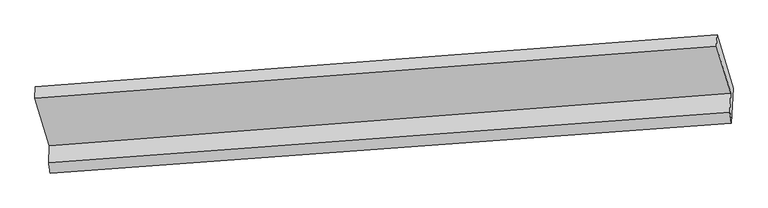
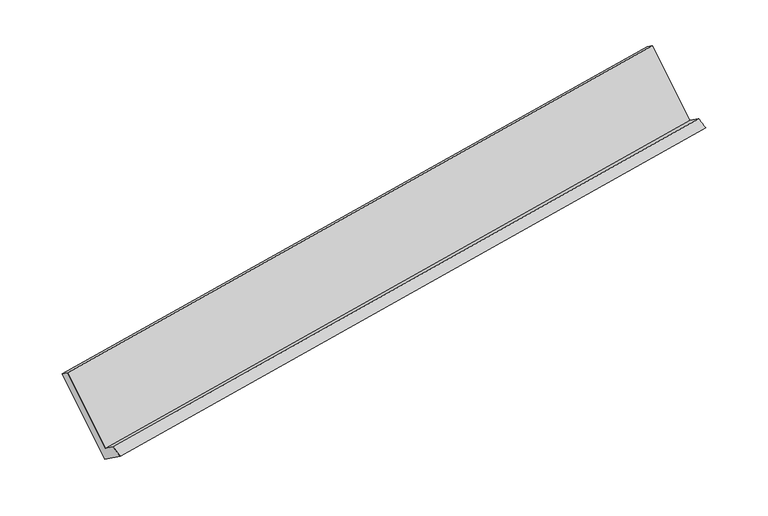
"""IFC4 building model written with IfcOpenShell, lengths in millimetres: proxy geometry."""

from ifc_helpers import new_model, si_unit, frame, origin, place, context, project, spatial, source, transform, mapped, element, save
from ifc_brep_helpers import plane_surface, spline_surface, advanced_brep


def generic_models_1f31dc5e(model_context):
    return source(origin(), model_context, "Body", "AdvancedBrep", [
        advanced_brep(
        [(-5996.1497305, -1852.8286079, 1193.266757), (-6003.3631361, -2007.0057906, 1304.8216857), (345.9140871, -1536.988089, 2398.2500018), (354.0550657, -1362.985237, 2272.3502065), (-5987.8375899, -2104.8136798, 1255.0788385), (360.7568146, -1639.5307197, 2354.6985093), (-5973.6801232, -1802.2162051, 1036.1343805), (375.9360107, -1315.0951049, 2119.9530611), (-6125.162876, -1299.265086, 1721.4548856), (226.2076177, -817.968789, 2797.3366973), (-6130.2335924, -1407.6450663, 1799.8732401), (221.3262899, -922.300835, 2872.8261682)],
        [
            (0, 1),
            (1, 2),
            (2, 3),
            (3, 0),
            (1, 4),
            (4, 5),
            (5, 2),
            (4, 6),
            (6, 7),
            (7, 5),
            (6, 8),
            (8, 9),
            (9, 7),
            (8, 10),
            (10, 11),
            (11, 9),
            (10, 0),
            (3, 11),
        ],
        [
            plane_surface(frame((-5999.7564333, -1929.9171992, 1249.0442213), z_axis=(-0.17965644396089994, 0.5821629363826835, 0.7929753323058769), x_axis=(-0.03787770920555746, -0.809586871964826, 0.585776728700917))),
            spline_surface(1, 1, [[(-6003.3631361, -2007.0057906, 1304.8216857), (345.9140871, -1536.988089, 2398.2500018)], [(-5987.8375899, -2104.8136798, 1255.0788385), (360.7568146, -1639.5307197, 2354.6985093)]], [2, 2], [2, 2], [0.0, 1.0], [0.0, 1.0]),
            plane_surface(frame((-5980.7588565, -1953.5149425, 1145.6066095), z_axis=(0.1800027544271241, -0.5821364055988604, -0.7929162715413827), x_axis=(0.03787770920555754, 0.8095868719648264, -0.5857767287009166))),
            plane_surface(frame((-6049.4214996, -1550.7406455, 1378.794633), z_axis=(0.03787770920555784, 0.8095868719648276, -0.5857767287009147), x_axis=(-0.17543598167814792, 0.5824803264326848, 0.7936868939648037))),
            plane_surface(frame((-6127.6982342, -1353.4550762, 1760.6640629), z_axis=(-0.17848093549773547, 0.5822524403560454, 0.7931750445918501), x_axis=(-0.037877709205557684, -0.8095868719648259, 0.5857767287009171))),
            plane_surface(frame((-6063.1916614, -1630.2368371, 1496.5699986), z_axis=(-0.037116245773990024, -0.8095303556104736, 0.5859035651409071), x_axis=(0.17543598167814947, -0.5824803264326871, -0.7936868939648017))),
            plane_surface(frame((314.0326476, -1265.8114624, 2469.2357741), z_axis=(0.9837619099548242, 0.07270327407399937, 0.16409368805946717), x_axis=(-0.037877709205557684, -0.8095868719648259, 0.5857767287009171))),
            plane_surface(frame((-6036.0711747, -1745.6290726, 1385.1049646), z_axis=(-0.9837619099548238, -0.07270327407400176, -0.16409368805946845), x_axis=(-0.17543598167815147, 0.5824803264326958, 0.793686893964795))),
        ],
        [
            (0, [[1, 2, 3, 4]]),
            (1, [[5, 6, 7, -2]]),
            (2, [[8, 9, 10, -6]]),
            (3, [[11, 12, 13, -9]]),
            (4, [[14, 15, 16, -12]]),
            (5, [[17, -4, 18, -15]]),
            (6, [[-16, -18, -3, -7, -10, -13]]),
            (7, [[-17, -14, -11, -8, -5, -1]]),
        ],
    ),
    ])


if __name__ == "__main__":
    model = new_model("IFC4")
    model_context = context("Model", 3, world=origin())
    ifc_project = project(units=[si_unit("LENGTHUNIT", "METRE", prefix="MILLI")], contexts=[model_context])
    site = spatial("IfcSite", under=ifc_project)
    building = spatial("IfcBuilding", under=site)
    placement = place(None, origin())
    generic_models_shape = generic_models_1f31dc5e(model_context)
    element("IfcBuildingElementProxy", 1, Name="Generic Models", at=placement, inside=building, context=model_context, shape_type="MappedRepresentation", body=[
        mapped(generic_models_shape, transform((0.0, 0.0, 0.0), x_axis=(1.0, 0.0, 0.0), y_axis=(0.0, 1.0, 0.0), z_axis=(0.0, 0.0, 1.0))),
    ])
    save(model, "model.ifc")
